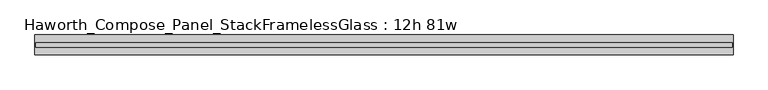
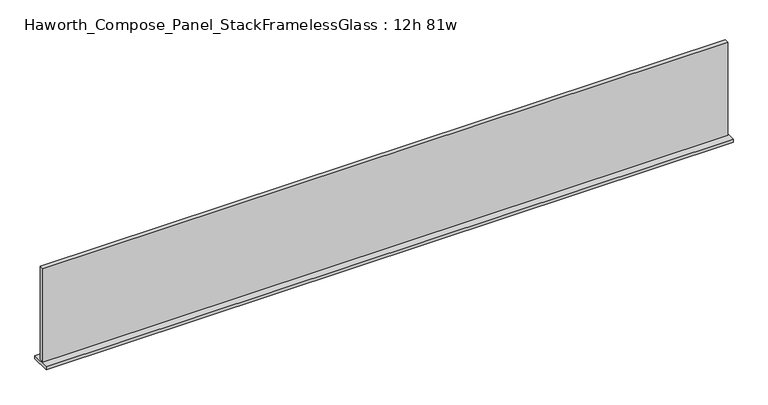
"""IFC4 building model written with IfcOpenShell, lengths in millimetres: furniture geometry, Haworth_Compose_Panel_StackFramelessGlass : 12h 81w."""

from ifc_helpers import new_model, si_unit, frame, origin, place, context, project, spatial, polyline, outline, extrude, source, transform, mapped, element, save


def haworth_compose_panel_stackframelessglass_12h_81w_1e24eb21(model_context):
    return source(origin(), model_context, "Body", "SweptSolid", [
        extrude(outline(polyline([(1027.9652902, -27.3093594), (-1023.0847098, -27.3093594), (-1023.0847098, -14.6093594), (1027.9652902, -14.6093594), (1027.9652902, -27.3093594)])), frame((0.0, 0.0, 1279.525), z_axis=(0.0, 0.0, 1.0), x_axis=(1.0, 0.0, 0.0)), (0.0, 0.0, 1.0), 295.275),
        extrude(outline(polyline([(-1026.2597098, -50.3281094), (-1026.2597098, 8.4093906), (1031.1402902, 8.4093906), (1031.1402902, -50.3281094), (-1026.2597098, -50.3281094)])), frame((0.0, 0.0, 1270.0), z_axis=(0.0, 0.0, 1.0), x_axis=(1.0, 0.0, 0.0)), (0.0, 0.0, 1.0), 9.525),
    ])


if __name__ == "__main__":
    model = new_model("IFC4")
    model_context = context("Model", 3, world=origin())
    ifc_project = project(units=[si_unit("LENGTHUNIT", "METRE", prefix="MILLI")], contexts=[model_context])
    site = spatial("IfcSite", under=ifc_project)
    building = spatial("IfcBuilding", under=site)
    placement = place(None, origin())
    haworth_compose_panel_stackframelessglass_12h_81w_shape = haworth_compose_panel_stackframelessglass_12h_81w_1e24eb21(model_context)
    element("IfcFurniture", 1, ObjectType="Haworth_Compose_Panel_StackFramelessGlass : 12h 81w", at=placement, inside=building, context=model_context, shape_type="MappedRepresentation", body=[
        mapped(haworth_compose_panel_stackframelessglass_12h_81w_shape, transform((0.0, 0.0, 0.0), x_axis=(1.0, 0.0, 0.0), y_axis=(0.0, 1.0, 0.0), z_axis=(0.0, 0.0, 1.0))),
    ])
    save(model, "model.ifc")
